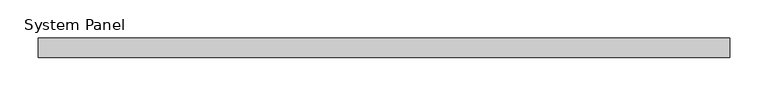
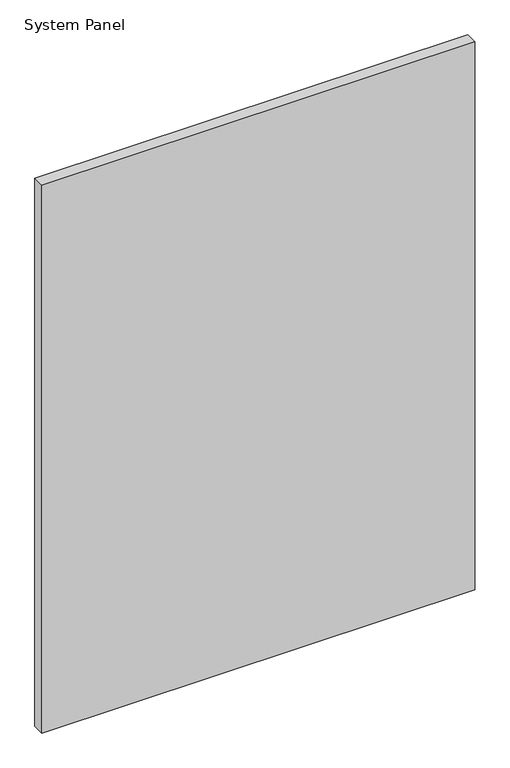
"""IFC4 building model written with IfcOpenShell, lengths in millimetres: plate geometry, System Panel."""

from ifc_helpers import new_model, si_unit, origin, origin_with_axes, place, context, project, spatial, polyline, outline, extrude, source, transform, mapped, element, save


def system_panel_53f9758e(model_context):
    return source(origin(), model_context, "Body", "SweptSolid", [
        extrude(outline(polyline([(450.8500002, 19.05), (-450.8500002, 19.05), (-450.8500002, 44.45), (450.8500002, 44.45), (450.8500002, 19.05)])), origin_with_axes(), (0.0, 0.0, 1.0), 1206.5),
    ])


if __name__ == "__main__":
    model = new_model("IFC4")
    model_context = context("Model", 3, world=origin())
    ifc_project = project(units=[si_unit("LENGTHUNIT", "METRE", prefix="MILLI")], contexts=[model_context])
    site = spatial("IfcSite", under=ifc_project)
    building = spatial("IfcBuilding", under=site)
    placement = place(None, origin())
    system_panel_shape = system_panel_53f9758e(model_context)
    element("IfcPlate", 1, ObjectType="System Panel", at=placement, inside=building, context=model_context, shape_type="MappedRepresentation", body=[
        mapped(system_panel_shape, transform((0.0, 0.0, 0.0), x_axis=(1.0, 0.0, 0.0), y_axis=(0.0, 1.0, 0.0), z_axis=(0.0, 0.0, 1.0))),
    ])
    save(model, "model.ifc")
